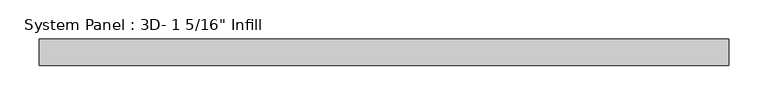
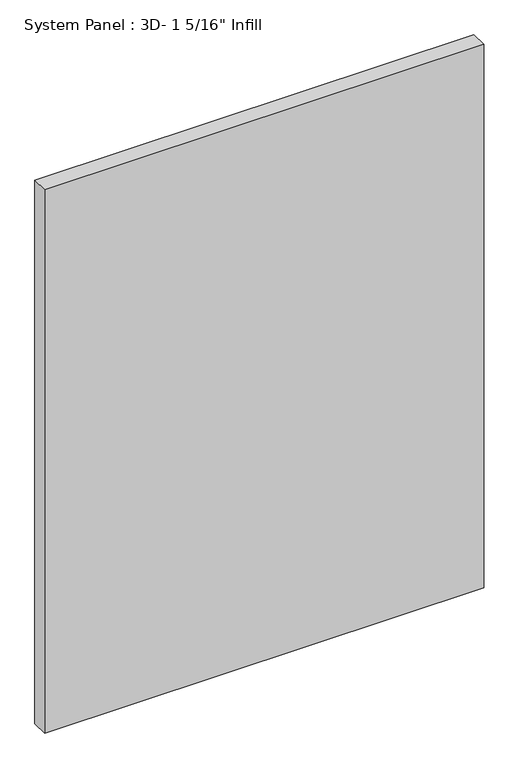
"""IFC4 building model written with IfcOpenShell, lengths in millimetres: plate geometry."""

from ifc_helpers import new_model, si_unit, origin, origin_with_axes, place, context, project, spatial, polyline, outline, extrude, source, transform, mapped, element, save


def plate_c09e6248(model_context):
    return source(origin(), model_context, "Body", "SweptSolid", [
        extrude(outline(polyline([(438.1038418, -16.66875), (-438.1038418, -16.66875), (-438.1038418, 16.66875), (438.1038418, 16.66875), (438.1038418, -16.66875)])), origin_with_axes(), (0.0, 0.0, 1.0), 1146.1010889),
    ])


if __name__ == "__main__":
    model = new_model("IFC4")
    model_context = context("Model", 3, world=origin())
    ifc_project = project(units=[si_unit("LENGTHUNIT", "METRE", prefix="MILLI")], contexts=[model_context])
    site = spatial("IfcSite", under=ifc_project)
    building = spatial("IfcBuilding", under=site)
    placement = place(None, origin())
    plate_shape = plate_c09e6248(model_context)
    element("IfcPlate", 1, ObjectType="System Panel : 3D- 1 5/16\" Infill", at=placement, inside=building, context=model_context, shape_type="MappedRepresentation", body=[
        mapped(plate_shape, transform((0.0, 0.0, 0.0), x_axis=(1.0, 0.0, 0.0), y_axis=(0.0, 1.0, 0.0), z_axis=(0.0, 0.0, 1.0))),
    ])
    save(model, "model.ifc")
